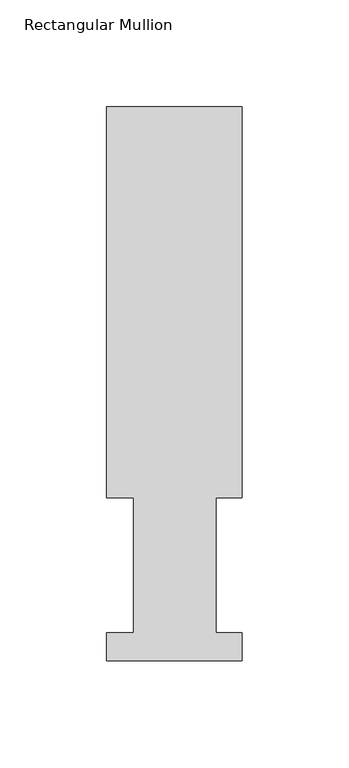
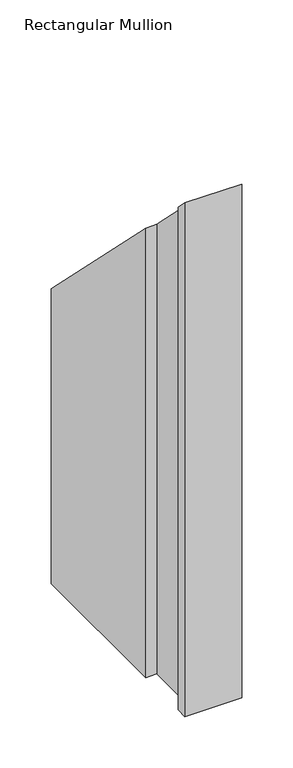
"""IFC4 building model written with IfcOpenShell, lengths in millimetres: member geometry, Rectangular Mullion."""

from ifc_helpers import new_model, si_unit, origin, place, context, project, spatial, faceted_brep, source, transform, mapped, element, save


def rectangular_mullion_d6caa7e8(model_context):
    return source(origin(), model_context, "Body", "Brep", [
        faceted_brep([(-63.5, 76.2992187, -609.56825), (-63.5, 259.4591074, -609.56825), (0.0, 259.4591074, -609.56825), (0.0, 76.2992187, -609.56825), (-12.3418395, 76.2992187, -609.56825), (-12.3418395, 13.1492189, -609.56825), (0.0, 13.1492189, -609.56825), (0.0, -0.0333811, -609.56825), (-63.5, -0.0333811, -609.56825), (-63.5, 13.1492189, -609.56825), (-50.8, 13.1492189, -609.56825), (-50.8, 76.2992187, -609.56825), (-50.8, 76.2992187, -76.2992187), (-63.5, 76.2992187, -76.2992187), (-50.8, 13.1492189, -13.1492189), (-63.5, 13.1492189, -13.1492189), (-63.5, -0.0333811, 0.0333811), (0.0, -0.0333811, 0.0333811), (0.0, 13.1492189, -13.1492189), (-12.3418395, 13.1492189, -13.1492189), (-12.3418395, 76.2992187, -76.2992187), (0.0, 76.2992187, -76.2992187), (0.0, 259.4591074, -259.4591074), (-63.5, 259.4591074, -259.4591074)], [[[0, 1, 2, 3, 4, 5, 6, 7, 8, 9, 10, 11]], [[12, 13, 0, 11]], [[14, 12, 11, 10]], [[15, 14, 10, 9]], [[16, 15, 9, 8]], [[17, 16, 8, 7]], [[18, 17, 7, 6]], [[19, 18, 6, 5]], [[20, 19, 5, 4]], [[21, 20, 4, 3]], [[22, 21, 3, 2]], [[23, 22, 2, 1]], [[13, 23, 1, 0]], [[13, 12, 14, 15, 16, 17, 18, 19, 20, 21, 22, 23]]]),
    ])


if __name__ == "__main__":
    model = new_model("IFC4")
    model_context = context("Model", 3, world=origin())
    ifc_project = project(units=[si_unit("LENGTHUNIT", "METRE", prefix="MILLI")], contexts=[model_context])
    site = spatial("IfcSite", under=ifc_project)
    building = spatial("IfcBuilding", under=site)
    placement = place(None, origin())
    rectangular_mullion_shape = rectangular_mullion_d6caa7e8(model_context)
    element("IfcMember", 1, ObjectType="Rectangular Mullion", at=placement, inside=building, context=model_context, shape_type="MappedRepresentation", body=[
        mapped(rectangular_mullion_shape, transform((0.0, 0.0, 0.0), x_axis=(1.0, 0.0, 0.0), y_axis=(0.0, 1.0, 0.0), z_axis=(0.0, 0.0, 1.0))),
    ])
    save(model, "model.ifc")
